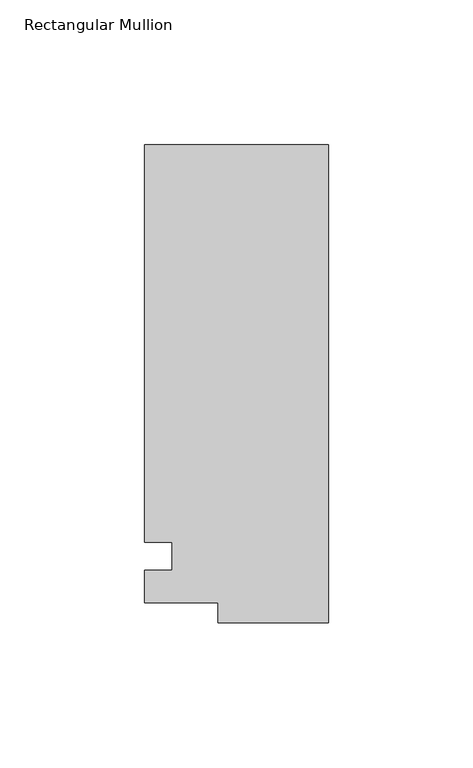
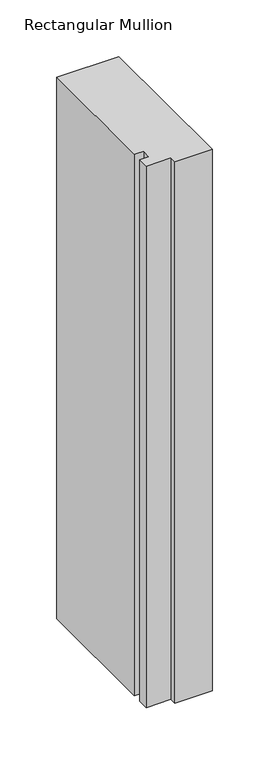
"""IFC4 building model written with IfcOpenShell, lengths in millimetres: member geometry, Rectangular Mullion."""

from ifc_helpers import new_model, si_unit, frame, origin, place, context, project, spatial, polyline, outline, extrude, source, transform, mapped, element, save


def rectangular_mullion_cb6553e7(model_context):
    return source(origin(), model_context, "Body", "SweptSolid", [
        extrude(outline(polyline([(-38.1, -32.54375), (-38.1, -25.58415), (-63.5, -25.58415), (-63.5, -14.2875), (-53.975, -14.2875), (-53.975, -4.7625), (-63.5, -4.7625), (-63.5, 132.55625), (0.0, 132.55625), (0.0, -32.54375), (-38.1, -32.54375)])), frame((0.0, 0.0, -584.2), z_axis=(0.0, 0.0, 1.0), x_axis=(1.0, 0.0, 0.0)), (0.0, 0.0, 1.0), 584.2),
    ])


if __name__ == "__main__":
    model = new_model("IFC4")
    model_context = context("Model", 3, world=origin())
    ifc_project = project(units=[si_unit("LENGTHUNIT", "METRE", prefix="MILLI")], contexts=[model_context])
    site = spatial("IfcSite", under=ifc_project)
    building = spatial("IfcBuilding", under=site)
    placement = place(None, origin())
    rectangular_mullion_shape = rectangular_mullion_cb6553e7(model_context)
    element("IfcMember", 1, ObjectType="Rectangular Mullion", at=placement, inside=building, context=model_context, shape_type="MappedRepresentation", body=[
        mapped(rectangular_mullion_shape, transform((0.0, 0.0, 0.0), x_axis=(1.0, 0.0, 0.0), y_axis=(0.0, 1.0, 0.0), z_axis=(0.0, 0.0, 1.0))),
    ])
    save(model, "model.ifc")
